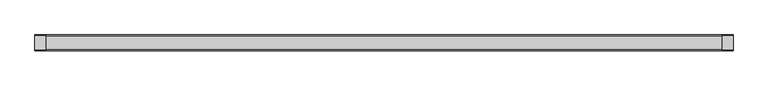
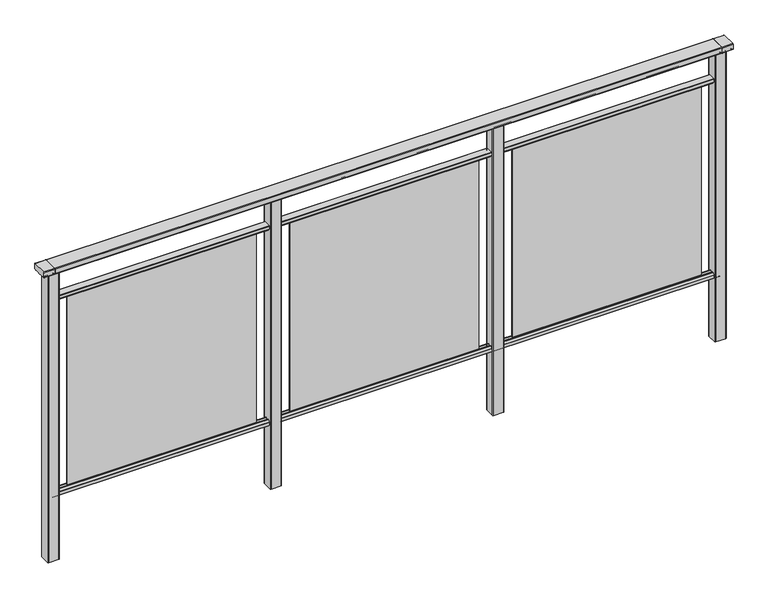
"""IFC4 building model written with IfcOpenShell, lengths in millimetres: railing geometry."""

from ifc_helpers import new_model, si_unit, point, frame, frame_2d, origin, place, context, project, spatial, polyline, circle_curve, trimmed, segment, composite_curve, outline, extrude, source, transform, mapped, element, save


def railing_6c80f8c6(model_context):
    return source(origin(), model_context, "Body", "SweptSolid", [
        extrude(outline(composite_curve([segment(trimmed(circle_curve(frame_2d((7892.8460333, 1197.0)), 3.0), [point((7892.8460333, 1200.0))], [point((7895.8460333, 1197.0))], False, "CARTESIAN"), True, "CONTINUOUS"), segment(polyline([(7895.8460333, 1197.0), (7895.8460333, 1174.8)]), True, "CONTINUOUS"), segment(trimmed(circle_curve(frame_2d((7892.8460333, 1174.8)), 3.0), [point((7895.8460333, 1174.8))], [point((7892.8460333, 1171.8))], False, "CARTESIAN"), True, "CONTINUOUS"), segment(polyline([(7892.8460333, 1171.8), (7887.9961193, 1171.8)]), True, "CONTINUOUS"), segment(trimmed(circle_curve(frame_2d((7887.9961193, 1172.7286632)), 0.9286632), [point((7887.9961193, 1171.8))], [point((7887.0960471, 1172.5000033))], False, "CARTESIAN"), True, "CONTINUOUS"), segment(trimmed(circle_curve(frame_2d((7886.5960471, 1172.5000003)), 0.5), [point((7887.0960471, 1172.5000033))], [point((7886.5960471, 1172.0000003))], False, "CARTESIAN"), True, "CONTINUOUS"), segment(polyline([(7886.5960471, 1172.0000003), (7869.5751393, 1172.0000003)]), True, "CONTINUOUS"), segment(trimmed(circle_curve(frame_2d((7860.8508208, 1188.8785723)), 18.999998), [point((7869.5751393, 1172.0000003))], [point((7852.1265024, 1172.0000003))], False, "CARTESIAN"), True, "CONTINUOUS"), segment(polyline([(7852.1265024, 1172.0000003), (7835.0960436, 1172.0000003)]), True, "CONTINUOUS"), segment(trimmed(circle_curve(frame_2d((7835.0960436, 1172.5000003)), 0.5), [point((7835.0960436, 1172.0000003))], [point((7834.5960436, 1172.5000033))], False, "CARTESIAN"), True, "CONTINUOUS"), segment(trimmed(circle_curve(frame_2d((7833.6961402, 1172.7284461)), 0.9284461), [point((7834.5960436, 1172.5000033))], [point((7833.6961402, 1171.8))], False, "CARTESIAN"), True, "CONTINUOUS"), segment(polyline([(7833.6961402, 1171.8), (7828.8460333, 1171.8)]), True, "CONTINUOUS"), segment(trimmed(circle_curve(frame_2d((7828.8460333, 1174.8)), 3.0), [point((7828.8460333, 1171.8))], [point((7825.8460333, 1174.8))], False, "CARTESIAN"), True, "CONTINUOUS"), segment(polyline([(7825.8460333, 1174.8), (7825.8460333, 1197.0)]), True, "CONTINUOUS"), segment(trimmed(circle_curve(frame_2d((7828.8460333, 1197.0)), 3.0), [point((7825.8460333, 1197.0))], [point((7828.8460333, 1200.0))], False, "CARTESIAN"), True, "CONTINUOUS"), segment(polyline([(7828.8460333, 1200.0), (7892.8460333, 1200.0)]), True, "CONTINUOUS")], self_intersect=False)), frame((3671.3946925, 0.0, 0.0), z_axis=(1.0, 0.0, 0.0), x_axis=(0.0, 1.0, 0.0)), (0.0, 0.0, 1.0), 3000.0),
        extrude(outline(composite_curve([segment(polyline([(7876.5508136, 100.0), (7845.1507946, 100.0)]), True, "CONTINUOUS"), segment(trimmed(circle_curve(frame_2d((7845.1507946, 101.8)), 1.8), [point((7845.1507946, 100.0))], [point((7843.3507946, 101.8))], False, "CARTESIAN"), True, "CONTINUOUS"), segment(polyline([(7843.3507946, 101.8), (7843.3507946, 115.5269955)]), True, "CONTINUOUS"), segment(trimmed(circle_curve(frame_2d((7845.1507946, 115.5269955)), 1.8), [point((7843.3507946, 115.5269955))], [point((7843.7923399, 116.7079277))], False, "CARTESIAN"), True, "CONTINUOUS"), segment(polyline([(7843.7923399, 116.7079277), (7850.4626384, 124.3809322)]), True, "CONTINUOUS"), segment(trimmed(circle_curve(frame_2d((7851.8210931, 123.2)), 1.8), [point((7850.4626384, 124.3809322))], [point((7851.8210931, 125.0))], False, "CARTESIAN"), True, "CONTINUOUS"), segment(polyline([(7851.8210931, 125.0), (7855.5111113, 125.0), (7856.809143, 113.0), (7864.8924411, 113.0), (7866.1904978, 125.0), (7869.88054, 125.0)]), True, "CONTINUOUS"), segment(trimmed(circle_curve(frame_2d((7869.88054, 123.2)), 1.8), [point((7869.88054, 125.0))], [point((7871.2389969, 124.3809297))], False, "CARTESIAN"), True, "CONTINUOUS"), segment(polyline([(7871.2389969, 124.3809297), (7877.9092704, 116.7079252)]), True, "CONTINUOUS"), segment(trimmed(circle_curve(frame_2d((7876.5508136, 115.5269955)), 1.8), [point((7877.9092704, 116.7079252))], [point((7878.3508136, 115.5269955))], False, "CARTESIAN"), True, "CONTINUOUS"), segment(polyline([(7878.3508136, 115.5269955), (7878.3508136, 101.8)]), True, "CONTINUOUS"), segment(trimmed(circle_curve(frame_2d((7876.5508136, 101.8)), 1.8), [point((7878.3508136, 101.8))], [point((7876.5508136, 100.0))], False, "CARTESIAN"), True, "CONTINUOUS")], self_intersect=False)), frame((3671.3946925, 0.0, 0.0), z_axis=(1.0, 0.0, 0.0), x_axis=(0.0, 1.0, 0.0)), (0.0, 0.0, 1.0), 3000.0),
        extrude(outline(composite_curve([segment(polyline([(7845.1507946, 1050.0), (7876.5508136, 1050.0)]), True, "CONTINUOUS"), segment(trimmed(circle_curve(frame_2d((7876.5508136, 1048.2)), 1.8), [point((7876.5508136, 1050.0))], [point((7878.3508136, 1048.2))], False, "CARTESIAN"), True, "CONTINUOUS"), segment(polyline([(7878.3508136, 1048.2), (7878.3508136, 1034.4730045)]), True, "CONTINUOUS"), segment(trimmed(circle_curve(frame_2d((7876.5508136, 1034.4730045)), 1.8), [point((7878.3508136, 1034.4730045))], [point((7877.9092704, 1033.2920748))], False, "CARTESIAN"), True, "CONTINUOUS"), segment(polyline([(7877.9092704, 1033.2920748), (7871.2389969, 1025.6190703)]), True, "CONTINUOUS"), segment(trimmed(circle_curve(frame_2d((7869.88054, 1026.8)), 1.8), [point((7871.2389969, 1025.6190703))], [point((7869.88054, 1025.0))], False, "CARTESIAN"), True, "CONTINUOUS"), segment(polyline([(7869.88054, 1025.0), (7866.1904978, 1025.0), (7864.8924411, 1037.0), (7856.809143, 1037.0), (7855.5111113, 1025.0), (7851.8210931, 1025.0)]), True, "CONTINUOUS"), segment(trimmed(circle_curve(frame_2d((7851.8210931, 1026.8)), 1.8), [point((7851.8210931, 1025.0))], [point((7850.4626384, 1025.6190678))], False, "CARTESIAN"), True, "CONTINUOUS"), segment(polyline([(7850.4626384, 1025.6190678), (7843.7923399, 1033.2920723)]), True, "CONTINUOUS"), segment(trimmed(circle_curve(frame_2d((7845.1507946, 1034.4730045)), 1.8), [point((7843.7923399, 1033.2920723))], [point((7843.3507946, 1034.4730045))], False, "CARTESIAN"), True, "CONTINUOUS"), segment(polyline([(7843.3507946, 1034.4730045), (7843.3507946, 1048.2)]), True, "CONTINUOUS"), segment(trimmed(circle_curve(frame_2d((7845.1507946, 1048.2)), 1.8), [point((7843.3507946, 1048.2))], [point((7845.1507946, 1050.0))], False, "CARTESIAN"), True, "CONTINUOUS")], self_intersect=False)), frame((3671.3946925, 0.0, 0.0), z_axis=(1.0, 0.0, 0.0), x_axis=(0.0, 1.0, 0.0)), (0.0, 0.0, 1.0), 3000.0),
        extrude(outline(polyline([(5746.3946925, 7862.8508041), (6596.3946925, 7862.8508041), (6596.3946925, 7858.8508041), (5746.3946925, 7858.8508041), (5746.3946925, 7862.8508041)])), frame((0.0, 0.0, 125.0), z_axis=(0.0, 0.0, 1.0), x_axis=(1.0, 0.0, 0.0)), (0.0, 0.0, 1.0), 900.0),
        extrude(outline(composite_curve([segment(trimmed(circle_curve(frame_2d((5693.7947043, 7883.2508153)), 3.0), [point((5693.794704, 7886.2508153))], [point((5696.7947043, 7883.2508156))], False, "CARTESIAN"), True, "CONTINUOUS"), segment(polyline([(5696.7947043, 7883.2508156), (5696.7947083, 7838.4507926)]), True, "CONTINUOUS"), segment(trimmed(circle_curve(frame_2d((5693.7947083, 7838.4507923)), 3.0), [point((5696.7947083, 7838.4507926))], [point((5693.7947086, 7835.4507923))], False, "CARTESIAN"), True, "CONTINUOUS"), segment(polyline([(5693.7947086, 7835.4507923), (5648.9946856, 7835.4507883)]), True, "CONTINUOUS"), segment(trimmed(circle_curve(frame_2d((5648.9946853, 7838.4507883)), 3.0), [point((5648.9946856, 7835.4507883))], [point((5645.9946853, 7838.450788))], False, "CARTESIAN"), True, "CONTINUOUS"), segment(polyline([(5645.9946853, 7838.450788), (5645.9946813, 7883.250811)]), True, "CONTINUOUS"), segment(trimmed(circle_curve(frame_2d((5648.9946813, 7883.2508113)), 3.0), [point((5645.9946813, 7883.250811))], [point((5648.994681, 7886.2508113))], False, "CARTESIAN"), True, "CONTINUOUS"), segment(polyline([(5648.994681, 7886.2508113), (5693.794704, 7886.2508153)]), True, "CONTINUOUS")], self_intersect=False)), frame((0.0, 0.0, -198.0), z_axis=(0.0, 0.0, 1.0), x_axis=(1.0, 0.0, 0.0)), (0.0, 0.0, 1.0), 1367.8785743),
        extrude(outline(polyline([(4746.3946925, 7862.8508041), (5596.3946925, 7862.8508041), (5596.3946925, 7858.8508041), (4746.3946925, 7858.8508041), (4746.3946925, 7862.8508041)])), frame((0.0, 0.0, 125.0), z_axis=(0.0, 0.0, 1.0), x_axis=(1.0, 0.0, 0.0)), (0.0, 0.0, 1.0), 900.0),
        extrude(outline(composite_curve([segment(trimmed(circle_curve(frame_2d((4693.7947043, 7883.2508153)), 3.0), [point((4693.794704, 7886.2508153))], [point((4696.7947043, 7883.2508156))], False, "CARTESIAN"), True, "CONTINUOUS"), segment(polyline([(4696.7947043, 7883.2508156), (4696.7947083, 7838.4507926)]), True, "CONTINUOUS"), segment(trimmed(circle_curve(frame_2d((4693.7947083, 7838.4507923)), 3.0), [point((4696.7947083, 7838.4507926))], [point((4693.7947086, 7835.4507923))], False, "CARTESIAN"), True, "CONTINUOUS"), segment(polyline([(4693.7947086, 7835.4507923), (4648.9946856, 7835.4507883)]), True, "CONTINUOUS"), segment(trimmed(circle_curve(frame_2d((4648.9946853, 7838.4507883)), 3.0), [point((4648.9946856, 7835.4507883))], [point((4645.9946853, 7838.450788))], False, "CARTESIAN"), True, "CONTINUOUS"), segment(polyline([(4645.9946853, 7838.450788), (4645.9946813, 7883.250811)]), True, "CONTINUOUS"), segment(trimmed(circle_curve(frame_2d((4648.9946813, 7883.2508113)), 3.0), [point((4645.9946813, 7883.250811))], [point((4648.994681, 7886.2508113))], False, "CARTESIAN"), True, "CONTINUOUS"), segment(polyline([(4648.994681, 7886.2508113), (4693.794704, 7886.2508153)]), True, "CONTINUOUS")], self_intersect=False)), frame((0.0, 0.0, -198.0), z_axis=(0.0, 0.0, 1.0), x_axis=(1.0, 0.0, 0.0)), (0.0, 0.0, 1.0), 1367.8785743),
        extrude(outline(polyline([(3746.3946925, 7862.8508041), (4596.3946925, 7862.8508041), (4596.3946925, 7858.8508041), (3746.3946925, 7858.8508041), (3746.3946925, 7862.8508041)])), frame((0.0, 0.0, 125.0), z_axis=(0.0, 0.0, 1.0), x_axis=(1.0, 0.0, 0.0)), (0.0, 0.0, 1.0), 900.0),
        extrude(outline(composite_curve([segment(trimmed(circle_curve(frame_2d((6693.7947043, 7883.2508153)), 3.0), [point((6693.794704, 7886.2508153))], [point((6696.7947043, 7883.2508156))], False, "CARTESIAN"), True, "CONTINUOUS"), segment(polyline([(6696.7947043, 7883.2508156), (6696.7947083, 7838.4507926)]), True, "CONTINUOUS"), segment(trimmed(circle_curve(frame_2d((6693.7947083, 7838.4507923)), 3.0), [point((6696.7947083, 7838.4507926))], [point((6693.7947086, 7835.4507923))], False, "CARTESIAN"), True, "CONTINUOUS"), segment(polyline([(6693.7947086, 7835.4507923), (6648.9946856, 7835.4507883)]), True, "CONTINUOUS"), segment(trimmed(circle_curve(frame_2d((6648.9946853, 7838.4507883)), 3.0), [point((6648.9946856, 7835.4507883))], [point((6645.9946853, 7838.450788))], False, "CARTESIAN"), True, "CONTINUOUS"), segment(polyline([(6645.9946853, 7838.450788), (6645.9946813, 7883.250811)]), True, "CONTINUOUS"), segment(trimmed(circle_curve(frame_2d((6648.9946813, 7883.2508113)), 3.0), [point((6645.9946813, 7883.250811))], [point((6648.994681, 7886.2508113))], False, "CARTESIAN"), True, "CONTINUOUS"), segment(polyline([(6648.994681, 7886.2508113), (6693.794704, 7886.2508153)]), True, "CONTINUOUS")], self_intersect=False)), frame((0.0, 0.0, -198.0), z_axis=(0.0, 0.0, 1.0), x_axis=(1.0, 0.0, 0.0)), (0.0, 0.0, 1.0), 1367.8785743),
        extrude(outline(composite_curve([segment(trimmed(circle_curve(frame_2d((7892.8460333, 1197.0)), 3.0), [point((7892.8460333, 1200.0))], [point((7895.8460333, 1197.0))], False, "CARTESIAN"), True, "CONTINUOUS"), segment(polyline([(7895.8460333, 1197.0), (7895.8460333, 1174.8)]), True, "CONTINUOUS"), segment(trimmed(circle_curve(frame_2d((7892.8460333, 1174.8)), 3.0), [point((7895.8460333, 1174.8))], [point((7892.8460333, 1171.8))], False, "CARTESIAN"), True, "CONTINUOUS"), segment(polyline([(7892.8460333, 1171.8), (7887.9961193, 1171.8)]), True, "CONTINUOUS"), segment(trimmed(circle_curve(frame_2d((7887.9961193, 1172.7286632)), 0.9286632), [point((7887.9961193, 1171.8))], [point((7887.0960471, 1172.5000033))], False, "CARTESIAN"), True, "CONTINUOUS"), segment(trimmed(circle_curve(frame_2d((7886.5960471, 1172.5000003)), 0.5), [point((7887.0960471, 1172.5000033))], [point((7886.5960471, 1172.0000003))], False, "CARTESIAN"), True, "CONTINUOUS"), segment(polyline([(7886.5960471, 1172.0000003), (7869.5751393, 1172.0000003)]), True, "CONTINUOUS"), segment(trimmed(circle_curve(frame_2d((7860.8508208, 1188.8785723)), 18.999998), [point((7869.5751393, 1172.0000003))], [point((7852.1265024, 1172.0000003))], False, "CARTESIAN"), True, "CONTINUOUS"), segment(polyline([(7852.1265024, 1172.0000003), (7835.0960436, 1172.0000003)]), True, "CONTINUOUS"), segment(trimmed(circle_curve(frame_2d((7835.0960436, 1172.5000003)), 0.5), [point((7835.0960436, 1172.0000003))], [point((7834.5960436, 1172.5000033))], False, "CARTESIAN"), True, "CONTINUOUS"), segment(trimmed(circle_curve(frame_2d((7833.6961402, 1172.7284461)), 0.9284461), [point((7834.5960436, 1172.5000033))], [point((7833.6961402, 1171.8))], False, "CARTESIAN"), True, "CONTINUOUS"), segment(polyline([(7833.6961402, 1171.8), (7828.8460333, 1171.8)]), True, "CONTINUOUS"), segment(trimmed(circle_curve(frame_2d((7828.8460333, 1174.8)), 3.0), [point((7828.8460333, 1171.8))], [point((7825.8460333, 1174.8))], False, "CARTESIAN"), True, "CONTINUOUS"), segment(polyline([(7825.8460333, 1174.8), (7825.8460333, 1197.0)]), True, "CONTINUOUS"), segment(trimmed(circle_curve(frame_2d((7828.8460333, 1197.0)), 3.0), [point((7825.8460333, 1197.0))], [point((7828.8460333, 1200.0))], False, "CARTESIAN"), True, "CONTINUOUS"), segment(polyline([(7828.8460333, 1200.0), (7892.8460333, 1200.0)]), True, "CONTINUOUS")], self_intersect=False)), frame((6671.3946838, 0.0, 0.0), z_axis=(1.0, 0.0, 0.0), x_axis=(0.0, 1.0, 0.0)), (0.0, 0.0, 1.0), 50.0),
        extrude(outline(composite_curve([segment(trimmed(circle_curve(frame_2d((3693.7947043, 7883.2508153)), 3.0), [point((3693.794704, 7886.2508153))], [point((3696.7947043, 7883.2508156))], False, "CARTESIAN"), True, "CONTINUOUS"), segment(polyline([(3696.7947043, 7883.2508156), (3696.7947083, 7838.4507926)]), True, "CONTINUOUS"), segment(trimmed(circle_curve(frame_2d((3693.7947083, 7838.4507923)), 3.0), [point((3696.7947083, 7838.4507926))], [point((3693.7947086, 7835.4507923))], False, "CARTESIAN"), True, "CONTINUOUS"), segment(polyline([(3693.7947086, 7835.4507923), (3648.9946856, 7835.4507883)]), True, "CONTINUOUS"), segment(trimmed(circle_curve(frame_2d((3648.9946853, 7838.4507883)), 3.0), [point((3648.9946856, 7835.4507883))], [point((3645.9946853, 7838.450788))], False, "CARTESIAN"), True, "CONTINUOUS"), segment(polyline([(3645.9946853, 7838.450788), (3645.9946813, 7883.250811)]), True, "CONTINUOUS"), segment(trimmed(circle_curve(frame_2d((3648.9946813, 7883.2508113)), 3.0), [point((3645.9946813, 7883.250811))], [point((3648.994681, 7886.2508113))], False, "CARTESIAN"), True, "CONTINUOUS"), segment(polyline([(3648.994681, 7886.2508113), (3693.794704, 7886.2508153)]), True, "CONTINUOUS")], self_intersect=False)), frame((0.0, 0.0, -198.0), z_axis=(0.0, 0.0, 1.0), x_axis=(1.0, 0.0, 0.0)), (0.0, 0.0, 1.0), 1367.8785743),
        extrude(outline(composite_curve([segment(trimmed(circle_curve(frame_2d((7892.8460333, 1197.0)), 3.0), [point((7892.8460333, 1200.0))], [point((7895.8460333, 1197.0))], False, "CARTESIAN"), True, "CONTINUOUS"), segment(polyline([(7895.8460333, 1197.0), (7895.8460333, 1174.8)]), True, "CONTINUOUS"), segment(trimmed(circle_curve(frame_2d((7892.8460333, 1174.8)), 3.0), [point((7895.8460333, 1174.8))], [point((7892.8460333, 1171.8))], False, "CARTESIAN"), True, "CONTINUOUS"), segment(polyline([(7892.8460333, 1171.8), (7887.9961193, 1171.8)]), True, "CONTINUOUS"), segment(trimmed(circle_curve(frame_2d((7887.9961193, 1172.7286632)), 0.9286632), [point((7887.9961193, 1171.8))], [point((7887.0960471, 1172.5000033))], False, "CARTESIAN"), True, "CONTINUOUS"), segment(trimmed(circle_curve(frame_2d((7886.5960471, 1172.5000003)), 0.5), [point((7887.0960471, 1172.5000033))], [point((7886.5960471, 1172.0000003))], False, "CARTESIAN"), True, "CONTINUOUS"), segment(polyline([(7886.5960471, 1172.0000003), (7869.5751393, 1172.0000003)]), True, "CONTINUOUS"), segment(trimmed(circle_curve(frame_2d((7860.8508208, 1188.8785723)), 18.999998), [point((7869.5751393, 1172.0000003))], [point((7852.1265024, 1172.0000003))], False, "CARTESIAN"), True, "CONTINUOUS"), segment(polyline([(7852.1265024, 1172.0000003), (7835.0960436, 1172.0000003)]), True, "CONTINUOUS"), segment(trimmed(circle_curve(frame_2d((7835.0960436, 1172.5000003)), 0.5), [point((7835.0960436, 1172.0000003))], [point((7834.5960436, 1172.5000033))], False, "CARTESIAN"), True, "CONTINUOUS"), segment(trimmed(circle_curve(frame_2d((7833.6961402, 1172.7284461)), 0.9284461), [point((7834.5960436, 1172.5000033))], [point((7833.6961402, 1171.8))], False, "CARTESIAN"), True, "CONTINUOUS"), segment(polyline([(7833.6961402, 1171.8), (7828.8460333, 1171.8)]), True, "CONTINUOUS"), segment(trimmed(circle_curve(frame_2d((7828.8460333, 1174.8)), 3.0), [point((7828.8460333, 1171.8))], [point((7825.8460333, 1174.8))], False, "CARTESIAN"), True, "CONTINUOUS"), segment(polyline([(7825.8460333, 1174.8), (7825.8460333, 1197.0)]), True, "CONTINUOUS"), segment(trimmed(circle_curve(frame_2d((7828.8460333, 1197.0)), 3.0), [point((7825.8460333, 1197.0))], [point((7828.8460333, 1200.0))], False, "CARTESIAN"), True, "CONTINUOUS"), segment(polyline([(7828.8460333, 1200.0), (7892.8460333, 1200.0)]), True, "CONTINUOUS")], self_intersect=False)), frame((3621.3946838, 0.0, 0.0), z_axis=(1.0, 0.0, 0.0), x_axis=(0.0, 1.0, 0.0)), (0.0, 0.0, 1.0), 50.0),
    ])


if __name__ == "__main__":
    model = new_model("IFC4")
    model_context = context("Model", 3, world=origin())
    ifc_project = project(units=[si_unit("LENGTHUNIT", "METRE", prefix="MILLI")], contexts=[model_context])
    site = spatial("IfcSite", under=ifc_project)
    building = spatial("IfcBuilding", under=site)
    placement = place(None, origin())
    railing_shape = railing_6c80f8c6(model_context)
    element("IfcRailing", 1, at=placement, inside=building, context=model_context, shape_type="MappedRepresentation", body=[
        mapped(railing_shape, transform((0.0, 0.0, 0.0), x_axis=(1.0, 0.0, 0.0), y_axis=(0.0, 1.0, 0.0), z_axis=(0.0, 0.0, 1.0))),
    ])
    save(model, "model.ifc")
